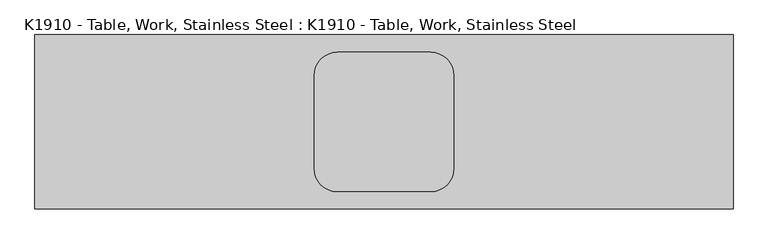
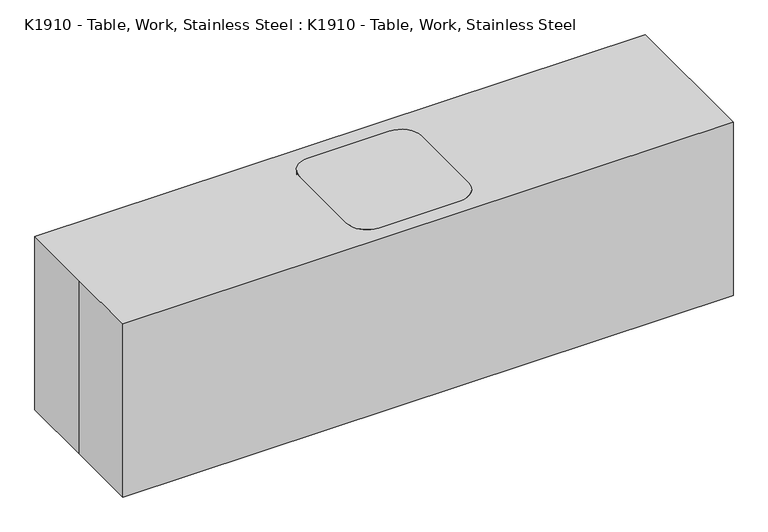
"""IFC4 building model written with IfcOpenShell, lengths in millimetres: proxy geometry, K1910 - Table, Work, Stainless Steel : K1910 - Table, Work, Stainless Steel."""

from ifc_helpers import new_model, si_unit, point, frame, frame_2d, origin, origin_with_axes, place, context, project, spatial, polyline, circle_curve, trimmed, segment, composite_curve, outline, extrude, source, transform, mapped, element, save


def k1910_table_work_stainless_steel_k1910_table_work_stainless_521094f3(model_context):
    return source(origin(), model_context, "Body", "SweptSolid", [
        extrude(outline(composite_curve([segment(trimmed(circle_curve(frame_2d((-203.2, -203.2)), 38.1), [point((-165.1, -203.2))], [point((-241.3, -203.2))], False, "CARTESIAN"), True, "CONTINUOUS"), segment(trimmed(circle_curve(frame_2d((-203.2, -203.2)), 38.1), [point((-241.3, -203.2))], [point((-165.1, -203.2))], False, "CARTESIAN"), True, "CONTINUOUS")], self_intersect=False)), origin_with_axes(), (0.0, 0.0, 1.0), 863.6),
        extrude(outline(composite_curve([segment(trimmed(circle_curve(frame_2d((-203.2, 203.2)), 38.1), [point((-165.1, 203.2))], [point((-241.3, 203.2))], False, "CARTESIAN"), True, "CONTINUOUS"), segment(trimmed(circle_curve(frame_2d((-203.2, 203.2)), 38.1), [point((-241.3, 203.2))], [point((-165.1, 203.2))], False, "CARTESIAN"), True, "CONTINUOUS")], self_intersect=False)), origin_with_axes(), (0.0, 0.0, 1.0), 863.6),
        extrude(outline(composite_curve([segment(trimmed(circle_curve(frame_2d((203.2, 203.2)), 38.1), [point((165.1, 203.2))], [point((203.2, 165.1))], True, "CARTESIAN"), True, "CONTINUOUS"), segment(polyline([(203.2, 165.1), (203.2, -165.1)]), True, "CONTINUOUS"), segment(trimmed(circle_curve(frame_2d((203.2, -203.2)), 38.1), [point((203.2, -165.1))], [point((165.1, -203.2))], True, "CARTESIAN"), True, "CONTINUOUS"), segment(polyline([(165.1, -203.2), (-165.1, -203.2)]), True, "CONTINUOUS"), segment(trimmed(circle_curve(frame_2d((-203.2, -203.2)), 38.1), [point((-165.1, -203.2))], [point((-203.2, -165.1))], True, "CARTESIAN"), True, "CONTINUOUS"), segment(polyline([(-203.2, -165.1), (-203.2, 165.1)]), True, "CONTINUOUS"), segment(trimmed(circle_curve(frame_2d((-203.2, 203.2)), 38.1), [point((-203.2, 165.1))], [point((-165.1, 203.2))], True, "CARTESIAN"), True, "CONTINUOUS"), segment(polyline([(-165.1, 203.2), (165.1, 203.2)]), True, "CONTINUOUS")], self_intersect=False)), frame((0.0, 0.0, 304.8), z_axis=(0.0, 0.0, 1.0), x_axis=(1.0, 0.0, 0.0)), (0.0, 0.0, 1.0), 25.4),
        extrude(outline(composite_curve([segment(trimmed(circle_curve(frame_2d((203.2, -203.2)), 38.1), [point((165.1, -203.2))], [point((241.3, -203.2))], False, "CARTESIAN"), True, "CONTINUOUS"), segment(trimmed(circle_curve(frame_2d((203.2, -203.2)), 38.1), [point((241.3, -203.2))], [point((165.1, -203.2))], False, "CARTESIAN"), True, "CONTINUOUS")], self_intersect=False)), origin_with_axes(), (0.0, 0.0, 1.0), 863.6),
        extrude(outline(composite_curve([segment(trimmed(circle_curve(frame_2d((203.2, 203.2)), 38.1), [point((165.1, 203.2))], [point((241.3, 203.2))], False, "CARTESIAN"), True, "CONTINUOUS"), segment(trimmed(circle_curve(frame_2d((203.2, 203.2)), 38.1), [point((241.3, 203.2))], [point((165.1, 203.2))], False, "CARTESIAN"), True, "CONTINUOUS")], self_intersect=False)), origin_with_axes(), (0.0, 0.0, 1.0), 863.6),
        extrude(outline(composite_curve([segment(trimmed(circle_curve(frame_2d((-203.2, 203.2)), 101.6), [point((-304.8, 203.2))], [point((-203.2, 304.8))], False, "CARTESIAN"), True, "CONTINUOUS"), segment(polyline([(-203.2, 304.8), (203.2, 304.8)]), True, "CONTINUOUS"), segment(trimmed(circle_curve(frame_2d((203.2, 203.2)), 101.6), [point((203.2, 304.8))], [point((304.8, 203.2))], False, "CARTESIAN"), True, "CONTINUOUS"), segment(polyline([(304.8, 203.2), (304.8, -203.2)]), True, "CONTINUOUS"), segment(trimmed(circle_curve(frame_2d((203.2, -203.2)), 101.6), [point((304.8, -203.2))], [point((203.2, -304.8))], False, "CARTESIAN"), True, "CONTINUOUS"), segment(polyline([(203.2, -304.8), (-203.2, -304.8)]), True, "CONTINUOUS"), segment(trimmed(circle_curve(frame_2d((-203.2, -203.2)), 101.6), [point((-203.2, -304.8))], [point((-304.8, -203.2))], False, "CARTESIAN"), True, "CONTINUOUS"), segment(polyline([(-304.8, -203.2), (-304.8, 203.2)]), True, "CONTINUOUS")], self_intersect=False)), frame((0.0, 0.0, 863.6), z_axis=(0.0, 0.0, 1.0), x_axis=(1.0, 0.0, 0.0)), (0.0, 0.0, 1.0), 50.8),
        extrude(outline(polyline([(-1524.0, 381.0), (1524.0, 381.0), (1524.0, -381.0), (-1524.0, -381.0), (-1524.0, 0.0), (-1524.0, 381.0)])), origin_with_axes(), (0.0, 0.0, 1.0), 914.4),
    ])


if __name__ == "__main__":
    model = new_model("IFC4")
    model_context = context("Model", 3, world=origin())
    ifc_project = project(units=[si_unit("LENGTHUNIT", "METRE", prefix="MILLI")], contexts=[model_context])
    site = spatial("IfcSite", under=ifc_project)
    building = spatial("IfcBuilding", under=site)
    placement = place(None, origin())
    k1910_table_work_stainless_steel_k1910_table_work_stainless_shape = k1910_table_work_stainless_steel_k1910_table_work_stainless_521094f3(model_context)
    element("IfcBuildingElementProxy", 1, Name="K1910 - Table, Work, Stainless Steel : K1910 - Table, Work, Stainless Steel", ObjectType="K1910 - Table, Work, Stainless Steel : K1910 - Table, Work, Stainless Steel", at=placement, inside=building, context=model_context, shape_type="MappedRepresentation", body=[
        mapped(k1910_table_work_stainless_steel_k1910_table_work_stainless_shape, transform((0.0, 0.0, 0.0), x_axis=(1.0, 0.0, 0.0), y_axis=(0.0, 1.0, 0.0), z_axis=(0.0, 0.0, 1.0))),
    ])
    save(model, "model.ifc")
